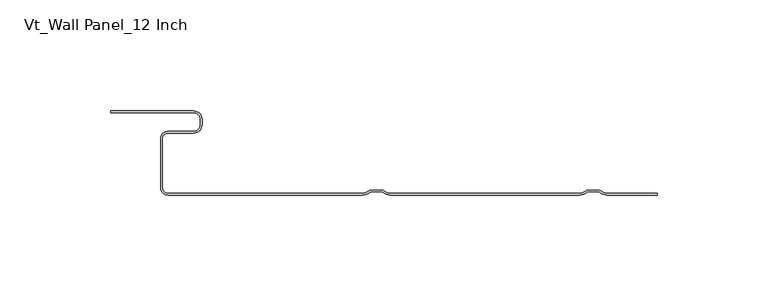
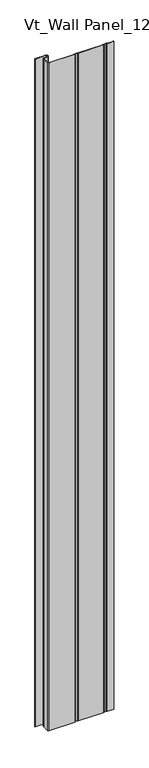
"""IFC4 building model written with IfcOpenShell, lengths in millimetres: plate geometry, Vt_Wall Panel_12 Inch."""

from ifc_helpers import new_model, si_unit, point, frame_2d, origin, origin_with_axes, place, context, project, spatial, polyline, circle_curve, trimmed, segment, composite_curve, outline, extrude, source, transform, mapped, element, save


def vt_wall_panel_12_inch_993b83ef(model_context):
    return source(origin(), model_context, "Body", "SweptSolid", [
        extrude(outline(composite_curve([segment(polyline([(89.4800094, -37.2), (111.9042607, -37.2), (111.9042607, -38.0), (89.4800094, -38.0)]), True, "CONTINUOUS"), segment(trimmed(circle_curve(frame_2d((89.4800094, -32.6854733)), 5.3145267), [point((89.4800094, -38.0))], [point((85.7875313, -36.50775))], False, "CARTESIAN"), True, "CONTINUOUS"), segment(polyline([(85.7875313, -36.50775), (80.4728529, -36.50775)]), True, "CONTINUOUS"), segment(trimmed(circle_curve(frame_2d((76.7803747, -32.6854733)), 5.3145267), [point((80.4728529, -36.50775))], [point((76.7803747, -38.0))], False, "CARTESIAN"), True, "CONTINUOUS"), segment(polyline([(76.7803747, -38.0), (-8.3270966, -38.0)]), True, "CONTINUOUS"), segment(trimmed(circle_curve(frame_2d((-8.3270966, -32.6854733)), 5.3145267), [point((-8.3270966, -38.0))], [point((-12.0195747, -36.50775))], False, "CARTESIAN"), True, "CONTINUOUS"), segment(polyline([(-12.0195747, -36.50775), (-17.3342531, -36.50775)]), True, "CONTINUOUS"), segment(trimmed(circle_curve(frame_2d((-21.0267313, -32.6854733)), 5.3145267), [point((-17.3342531, -36.50775))], [point((-21.0267313, -38.0))], False, "CARTESIAN"), True, "CONTINUOUS"), segment(polyline([(-21.0267313, -38.0), (-108.6654307, -38.0)]), True, "CONTINUOUS"), segment(trimmed(circle_curve(frame_2d((-108.6654307, -34.70689)), 3.29311), [point((-108.6654307, -38.0))], [point((-111.9585407, -34.70689))], False, "CARTESIAN"), True, "CONTINUOUS"), segment(polyline([(-111.9585407, -34.70689), (-111.9585407, -12.42347)]), True, "CONTINUOUS"), segment(trimmed(circle_curve(frame_2d((-108.7835407, -12.42347)), 3.175), [point((-111.9585407, -12.42347))], [point((-108.7835407, -9.24847))], False, "CARTESIAN"), True, "CONTINUOUS"), segment(polyline([(-108.7835407, -9.24847), (-97.2513057, -9.24847)]), True, "CONTINUOUS"), segment(trimmed(circle_curve(frame_2d((-97.2513057, -6.07347)), 3.175), [point((-97.2513057, -9.24847))], [point((-94.0763057, -6.07347))], True, "CARTESIAN"), True, "CONTINUOUS"), segment(polyline([(-94.0763057, -6.07347), (-94.0763057, -3.975)]), True, "CONTINUOUS"), segment(trimmed(circle_curve(frame_2d((-97.2513057, -3.975)), 3.175), [point((-94.0763057, -3.975))], [point((-97.2513057, -0.8))], True, "CARTESIAN"), True, "CONTINUOUS"), segment(polyline([(-97.2513057, -0.8), (-134.4394457, -0.8), (-134.4394457, 0.0), (-97.2513057, 0.0)]), True, "CONTINUOUS"), segment(trimmed(circle_curve(frame_2d((-97.2513057, -3.975)), 3.975), [point((-97.2513057, 0.0))], [point((-93.2763057, -3.975))], False, "CARTESIAN"), True, "CONTINUOUS"), segment(polyline([(-93.2763057, -3.975), (-93.2763057, -6.07347)]), True, "CONTINUOUS"), segment(trimmed(circle_curve(frame_2d((-97.2513057, -6.07347)), 3.975), [point((-93.2763057, -6.07347))], [point((-97.2513057, -10.04847))], False, "CARTESIAN"), True, "CONTINUOUS"), segment(polyline([(-97.2513057, -10.04847), (-108.7835407, -10.04847)]), True, "CONTINUOUS"), segment(trimmed(circle_curve(frame_2d((-108.7835407, -12.42347)), 2.375), [point((-108.7835407, -10.04847))], [point((-111.1585407, -12.42347))], True, "CARTESIAN"), True, "CONTINUOUS"), segment(polyline([(-111.1585407, -12.42347), (-111.1585407, -34.70689)]), True, "CONTINUOUS"), segment(trimmed(circle_curve(frame_2d((-108.6654307, -34.70689)), 2.49311), [point((-111.1585407, -34.70689))], [point((-108.6654307, -37.2))], True, "CARTESIAN"), True, "CONTINUOUS"), segment(polyline([(-108.6654307, -37.2), (-21.0267313, -37.2)]), True, "CONTINUOUS"), segment(trimmed(circle_curve(frame_2d((-21.0267313, -32.6854733)), 4.5145267), [point((-21.0267313, -37.2))], [point((-17.6731071, -35.70775))], True, "CARTESIAN"), True, "CONTINUOUS"), segment(polyline([(-17.6731071, -35.70775), (-11.6807207, -35.70775)]), True, "CONTINUOUS"), segment(trimmed(circle_curve(frame_2d((-8.3270966, -32.6854733)), 4.5145267), [point((-11.6807207, -35.70775))], [point((-8.3270966, -37.2))], True, "CARTESIAN"), True, "CONTINUOUS"), segment(polyline([(-8.3270966, -37.2), (76.7803747, -37.2)]), True, "CONTINUOUS"), segment(trimmed(circle_curve(frame_2d((76.7803747, -32.6854733)), 4.5145267), [point((76.7803747, -37.2))], [point((80.1339989, -35.70775))], True, "CARTESIAN"), True, "CONTINUOUS"), segment(polyline([(80.1339989, -35.70775), (86.1263853, -35.70775)]), True, "CONTINUOUS"), segment(trimmed(circle_curve(frame_2d((89.4800094, -32.6854733)), 4.5145267), [point((86.1263853, -35.70775))], [point((89.4800094, -37.2))], True, "CARTESIAN"), True, "CONTINUOUS")], self_intersect=False)), origin_with_axes(), (0.0, 0.0, 1.0), 2400.0),
    ])


if __name__ == "__main__":
    model = new_model("IFC4")
    model_context = context("Model", 3, world=origin())
    ifc_project = project(units=[si_unit("LENGTHUNIT", "METRE", prefix="MILLI")], contexts=[model_context])
    site = spatial("IfcSite", under=ifc_project)
    building = spatial("IfcBuilding", under=site)
    placement = place(None, origin())
    vt_wall_panel_12_inch_shape = vt_wall_panel_12_inch_993b83ef(model_context)
    element("IfcPlate", 1, ObjectType="Vt_Wall Panel_12 Inch", at=placement, inside=building, context=model_context, shape_type="MappedRepresentation", body=[
        mapped(vt_wall_panel_12_inch_shape, transform((0.0, 0.0, 0.0), x_axis=(1.0, 0.0, 0.0), y_axis=(0.0, 1.0, 0.0), z_axis=(0.0, 0.0, 1.0))),
    ])
    save(model, "model.ifc")
